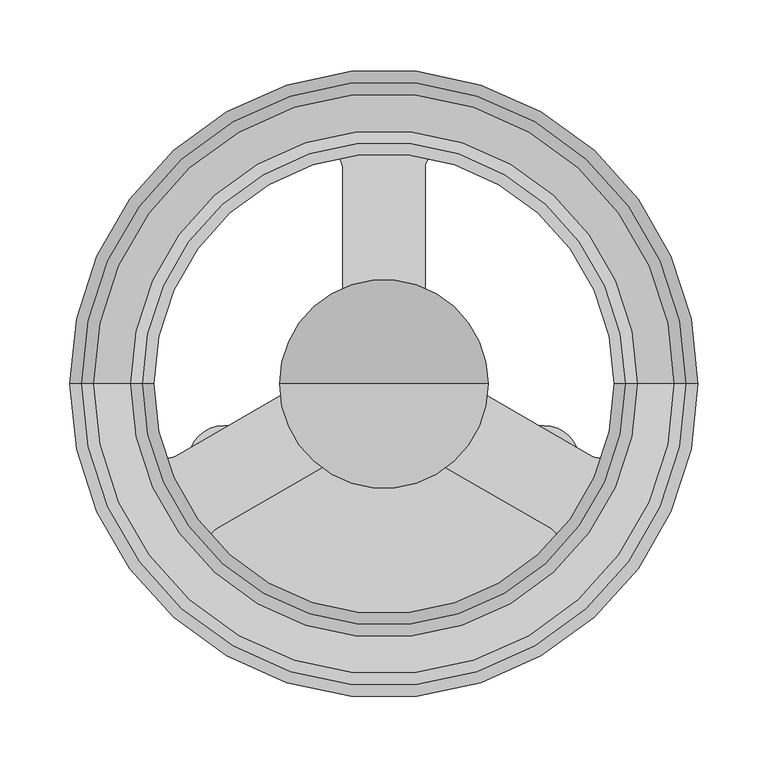
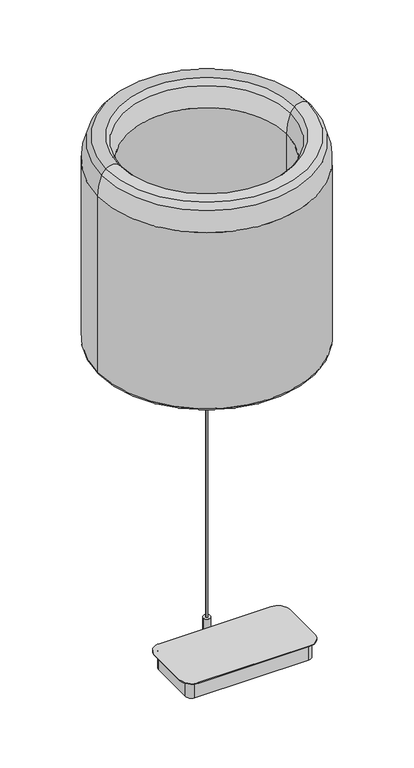
"""IFC4 building model written with IfcOpenShell, lengths in millimetres: light fixture geometry."""

from ifc_helpers import new_model, si_unit, point, frame, frame_2d, origin, origin_with_axes, origin_2d, place, context, project, spatial, polyline, circle_curve, ellipse_curve, trimmed, segment, composite_curve, outline, extrude, source, transform, mapped, element, save
from ifc_brep_helpers import plane_surface, cylinder_surface, revolved_surface, advanced_brep


def light_fixture_d6db27c4(model_context):
    return source(origin(), model_context, "Body", "SolidModel", [
        extrude(outline(composite_curve([segment(trimmed(circle_curve(origin_2d(), 213.1181009), [point((-213.1181009, 0.0))], [point((213.1181009, 0.0))], False, "CARTESIAN"), True, "CONTINUOUS"), segment(trimmed(circle_curve(origin_2d(), 213.1181009), [point((213.1181009, 0.0))], [point((-213.1181009, 0.0))], False, "CARTESIAN"), True, "CONTINUOUS")], self_intersect=False), holes=[composite_curve([segment(trimmed(circle_curve(frame_2d((-59.5522485, 12.8813293)), 10.922), [point((-54.0912483, 3.4226))], [point((-48.8815527, 10.55188))], True, "CARTESIAN"), True, "CONTINUOUS"), segment(trimmed(circle_curve(frame_2d((0.2732604, -0.1787836)), 50.3124517), [point((-48.8815527, 10.55188))], [point((-33.5853535, 37.0359589))], False, "CARTESIAN"), True, "CONTINUOUS"), segment(trimmed(circle_curve(frame_2d((-40.9354978, 45.1146631)), 10.922), [point((-33.5853535, 37.0359589))], [point((-30.0134978, 45.1146631))], True, "CARTESIAN"), True, "CONTINUOUS"), segment(polyline([(-30.0134978, 45.1146631), (-30.0134978, 155.3524359)]), True, "CONTINUOUS"), segment(trimmed(circle_curve(frame_2d((-39.6654978, 155.3524359)), 9.652), [point((-30.0134978, 155.3524359))], [point((-42.0533, 164.7044146))], True, "CARTESIAN"), True, "CONTINUOUS"), segment(trimmed(circle_curve(origin_2d(), 169.9883061), [point((-42.0533, 164.7044146))], [point((-163.6637284, -45.9370027))], True, "CARTESIAN"), True, "CONTINUOUS"), segment(trimmed(circle_curve(frame_2d((-154.3708403, -43.3286824)), 9.652), [point((-163.6637284, -45.9370027))], [point((-149.5448402, -51.6875595))], True, "CARTESIAN"), True, "CONTINUOUS"), segment(polyline([(-149.5448402, -51.6875595), (-54.0912483, 3.4226)]), True, "CONTINUOUS")], self_intersect=False), composite_curve([segment(trimmed(circle_curve(frame_2d((-114.865851, -112.1063807)), 9.652), [point((-119.6918508, -103.7475033))], [point((-121.7959535, -118.8246233))], True, "CARTESIAN"), True, "CONTINUOUS"), segment(trimmed(circle_curve(frame_2d((0.2550595, -0.5048259)), 169.9883061), [point((-121.7959535, -118.8246233))], [point((122.1059732, -119.0306839))], True, "CARTESIAN"), True, "CONTINUOUS"), segment(trimmed(circle_curve(frame_2d((115.1872325, -112.3007411)), 9.652), [point((122.1059732, -119.0306839))], [point((120.0132322, -103.9418637))], True, "CARTESIAN"), True, "CONTINUOUS"), segment(polyline([(120.0132322, -103.9418637), (24.7454139, -48.9389683)]), True, "CONTINUOUS"), segment(trimmed(circle_curve(frame_2d((18.3954144, -59.9374912)), 12.7), [point((24.7454139, -48.9389683))], [point((14.6692018, -47.7964311))], True, "CARTESIAN"), True, "CONTINUOUS"), segment(trimmed(circle_curve(origin_2d(), 49.996843), [point((14.6692018, -47.7964311))], [point((6.1374115, -49.6187111))], False, "CARTESIAN"), True, "CONTINUOUS"), segment(trimmed(circle_curve(frame_2d((5.8756308, -47.5023113)), 2.1325283), [point((6.1374115, -49.6187111))], [point((3.7431025, -47.5023113))], False, "CARTESIAN"), True, "CONTINUOUS"), segment(polyline([(3.7431025, -47.5023113), (3.7431025, -18.424465)]), True, "CONTINUOUS"), segment(trimmed(circle_curve(frame_2d((-0.0076309, -18.424465)), 3.7507334), [point((3.7431025, -18.424465))], [point((-3.7583643, -18.424465))], True, "CARTESIAN"), True, "CONTINUOUS"), segment(polyline([(-3.7583643, -18.424465), (-3.7583643, -47.6140509)]), True, "CONTINUOUS"), segment(trimmed(circle_curve(frame_2d((-5.7903643, -47.6140509)), 2.032), [point((-3.7583643, -47.6140509))], [point((-6.0356694, -49.6311899))], False, "CARTESIAN"), True, "CONTINUOUS"), segment(trimmed(circle_curve(origin_2d(), 49.996843), [point((-6.0356694, -49.6311899))], [point((-14.6771479, -47.7939917))], False, "CARTESIAN"), True, "CONTINUOUS"), segment(trimmed(circle_curve(frame_2d((-18.4053788, -59.9344321)), 12.7), [point((-14.6771479, -47.7939917))], [point((-24.7553785, -48.9359093))], True, "CARTESIAN"), True, "CONTINUOUS"), segment(polyline([(-24.7553785, -48.9359093), (-119.6918508, -103.7475033)]), True, "CONTINUOUS")], self_intersect=False), composite_curve([segment(trimmed(circle_curve(frame_2d((154.368712, -43.3362643)), 9.652), [point((149.542712, -51.6951415))], [point((163.661472, -45.9450411))], True, "CARTESIAN"), True, "CONTINUOUS"), segment(trimmed(circle_curve(origin_2d(), 169.9883061), [point((163.661472, -45.9450411))], [point((42.0459499, 164.7062911))], True, "CARTESIAN"), True, "CONTINUOUS"), segment(trimmed(circle_curve(frame_2d((39.6569131, 155.347735)), 9.6586783), [point((42.0459499, 164.7062911))], [point((29.9982348, 155.347735))], True, "CARTESIAN"), True, "CONTINUOUS"), segment(polyline([(29.9982348, 155.347735), (29.9982348, 45.110403)]), True, "CONTINUOUS"), segment(trimmed(circle_curve(frame_2d((40.8792287, 45.110403)), 10.8809939), [point((29.9982348, 45.110403))], [point((33.5617786, 37.057394))], True, "CARTESIAN"), True, "CONTINUOUS"), segment(trimmed(circle_curve(frame_2d((-0.2732604, -0.1787836)), 50.3124517), [point((33.5617786, 37.057394))], [point((48.8833607, 10.5435947))], False, "CARTESIAN"), True, "CONTINUOUS"), segment(trimmed(circle_curve(frame_2d((59.554449, 12.8712455)), 10.922), [point((48.8833607, 10.5435947))], [point((54.093449, 3.412516))], True, "CARTESIAN"), True, "CONTINUOUS"), segment(polyline([(54.093449, 3.412516), (149.542712, -51.6951415)]), True, "CONTINUOUS")], self_intersect=False)]), frame((0.0, 0.0, 648.1075333), z_axis=(0.0, 0.0, 1.0), x_axis=(1.0, 0.0, 0.0)), (0.0, 0.0, 1.0), 3.0005436),
        extrude(outline(composite_curve([segment(polyline([(36.124612, -11.1549514), (46.9639572, -15.1001504), (47.4501113, -15.7944504), (46.5013711, -18.4010927), (45.682668, -18.6204635), (34.8433228, -14.6752645)]), True, "CONTINUOUS"), segment(trimmed(circle_curve(origin_2d(), 37.8076782), [point((34.8433228, -14.6752645))], [point((30.1308132, -22.8375704))], False, "CARTESIAN"), True, "CONTINUOUS"), segment(polyline([(30.1308132, -22.8375704), (38.9671284, -30.2521193), (39.1864993, -31.0708224), (37.4034509, -33.1957766), (36.5590925, -33.1219048), (27.7227772, -25.707356)]), True, "CONTINUOUS"), segment(trimmed(circle_curve(origin_2d(), 37.8076782), [point((27.7227772, -25.707356))], [point((20.5027937, -31.7656415))], False, "CARTESIAN"), True, "CONTINUOUS"), segment(polyline([(20.5027937, -31.7656415), (26.2702889, -41.7552361), (26.1964171, -42.5995946), (23.7941226, -43.98656), (23.0259508, -43.6283556), (17.2584556, -33.638761)]), True, "CONTINUOUS"), segment(trimmed(circle_curve(origin_2d(), 37.8076782), [point((17.2584556, -33.638761))], [point((8.4018347, -36.8623073))], False, "CARTESIAN"), True, "CONTINUOUS"), segment(polyline([(8.4018347, -36.8623073), (10.4048648, -48.2220552), (10.0466604, -48.990227), (7.3148718, -49.471915), (6.7155396, -48.8725828), (4.7125096, -37.5128349)]), True, "CONTINUOUS"), segment(trimmed(circle_curve(origin_2d(), 37.8076782), [point((4.7125096, -37.5128349))], [point((-4.7125096, -37.5128349))], False, "CARTESIAN"), True, "CONTINUOUS"), segment(polyline([(-4.7125096, -37.5128349), (-6.7155396, -48.8725828), (-7.3148718, -49.471915), (-10.0466604, -48.990227), (-10.4048648, -48.2220552), (-8.4018347, -36.8623073)]), True, "CONTINUOUS"), segment(trimmed(circle_curve(origin_2d(), 37.8076782), [point((-8.4018347, -36.8623073))], [point((-17.2584556, -33.638761))], False, "CARTESIAN"), True, "CONTINUOUS"), segment(polyline([(-17.2584556, -33.638761), (-23.0259508, -43.6283556), (-23.7941226, -43.98656), (-26.1964171, -42.5995946), (-26.2702889, -41.7552361), (-20.5027937, -31.7656415)]), True, "CONTINUOUS"), segment(trimmed(circle_curve(origin_2d(), 37.8076782), [point((-20.5027937, -31.7656415))], [point((-27.7227772, -25.707356))], False, "CARTESIAN"), True, "CONTINUOUS"), segment(polyline([(-27.7227772, -25.707356), (-36.5590925, -33.1219048), (-37.4034509, -33.1957766), (-39.1864993, -31.0708224), (-38.9671284, -30.2521193), (-30.1308132, -22.8375704)]), True, "CONTINUOUS"), segment(trimmed(circle_curve(origin_2d(), 37.8076782), [point((-30.1308132, -22.8375704))], [point((-34.8433228, -14.6752645))], False, "CARTESIAN"), True, "CONTINUOUS"), segment(polyline([(-34.8433228, -14.6752645), (-45.682668, -18.6204635), (-46.5013711, -18.4010927), (-47.4501113, -15.7944504), (-46.9639572, -15.1001504), (-36.124612, -11.1549514)]), True, "CONTINUOUS"), segment(trimmed(circle_curve(origin_2d(), 37.8076782), [point((-36.124612, -11.1549514))], [point((-37.7612494, -1.8731195))], False, "CARTESIAN"), True, "CONTINUOUS"), segment(polyline([(-37.7612494, -1.8731195), (-49.2962397, -1.8731195), (-49.9905397, -1.3869654), (-49.9905397, 1.3869654), (-49.2962397, 1.8731195), (-37.7612494, 1.8731195)]), True, "CONTINUOUS"), segment(trimmed(circle_curve(origin_2d(), 37.8076782), [point((-37.7612494, 1.8731195))], [point((-36.124612, 11.1549514))], False, "CARTESIAN"), True, "CONTINUOUS"), segment(polyline([(-36.124612, 11.1549514), (-46.9639572, 15.1001504), (-47.4501113, 15.7944504), (-46.5013711, 18.4010927), (-45.682668, 18.6204635), (-34.8433228, 14.6752645)]), True, "CONTINUOUS"), segment(trimmed(circle_curve(origin_2d(), 37.8076782), [point((-34.8433228, 14.6752645))], [point((-30.1308132, 22.8375704))], False, "CARTESIAN"), True, "CONTINUOUS"), segment(polyline([(-30.1308132, 22.8375704), (-38.9671284, 30.2521193), (-39.1864993, 31.0708224), (-37.4034509, 33.1957766), (-36.5590925, 33.1219048), (-27.7227772, 25.707356)]), True, "CONTINUOUS"), segment(trimmed(circle_curve(origin_2d(), 37.8076782), [point((-27.7227772, 25.707356))], [point((-20.5027937, 31.7656415))], False, "CARTESIAN"), True, "CONTINUOUS"), segment(polyline([(-20.5027937, 31.7656415), (-26.2702889, 41.7552361), (-26.1964171, 42.5995946), (-23.7941226, 43.98656), (-23.0259508, 43.6283556), (-17.2584556, 33.638761)]), True, "CONTINUOUS"), segment(trimmed(circle_curve(origin_2d(), 37.8076782), [point((-17.2584556, 33.638761))], [point((-8.4018347, 36.8623073))], False, "CARTESIAN"), True, "CONTINUOUS"), segment(polyline([(-8.4018347, 36.8623073), (-10.4048648, 48.2220552), (-10.0466604, 48.990227), (-7.3148718, 49.471915), (-6.7155396, 48.8725828), (-4.7125096, 37.5128349)]), True, "CONTINUOUS"), segment(trimmed(circle_curve(origin_2d(), 37.8076782), [point((-4.7125096, 37.5128349))], [point((4.7125096, 37.5128349))], False, "CARTESIAN"), True, "CONTINUOUS"), segment(polyline([(4.7125096, 37.5128349), (6.7155396, 48.8725828), (7.3148718, 49.471915), (10.0466604, 48.990227), (10.4048648, 48.2220552), (8.4018347, 36.8623073)]), True, "CONTINUOUS"), segment(trimmed(circle_curve(origin_2d(), 37.8076782), [point((8.4018347, 36.8623073))], [point((17.2584556, 33.638761))], False, "CARTESIAN"), True, "CONTINUOUS"), segment(polyline([(17.2584556, 33.638761), (23.0259508, 43.6283556), (23.7941226, 43.98656), (26.1964171, 42.5995946), (26.2702889, 41.7552361), (20.5027937, 31.7656415)]), True, "CONTINUOUS"), segment(trimmed(circle_curve(origin_2d(), 37.8076782), [point((20.5027937, 31.7656415))], [point((27.7227772, 25.707356))], False, "CARTESIAN"), True, "CONTINUOUS"), segment(polyline([(27.7227772, 25.707356), (36.5590925, 33.1219048), (37.4034509, 33.1957766), (39.1864993, 31.0708224), (38.9671284, 30.2521193), (30.1308132, 22.8375704)]), True, "CONTINUOUS"), segment(trimmed(circle_curve(origin_2d(), 37.8076782), [point((30.1308132, 22.8375704))], [point((34.8433228, 14.6752645))], False, "CARTESIAN"), True, "CONTINUOUS"), segment(polyline([(34.8433228, 14.6752645), (45.682668, 18.6204635), (46.5013711, 18.4010927), (47.4501113, 15.7944504), (46.9639572, 15.1001504), (36.124612, 11.1549514)]), True, "CONTINUOUS"), segment(trimmed(circle_curve(origin_2d(), 37.8076782), [point((36.124612, 11.1549514))], [point((37.7612494, 1.8731195))], False, "CARTESIAN"), True, "CONTINUOUS"), segment(polyline([(37.7612494, 1.8731195), (49.2962397, 1.8731195), (49.9905397, 1.3869654), (49.9905397, -1.3869654), (49.2962397, -1.8731195), (37.7612494, -1.8731195)]), True, "CONTINUOUS"), segment(trimmed(circle_curve(origin_2d(), 37.8076782), [point((37.7612494, -1.8731195))], [point((36.124612, -11.1549514))], False, "CARTESIAN"), True, "CONTINUOUS")], self_intersect=False)), frame((0.0, 0.0, 651.1080769), z_axis=(0.0, 0.0, 1.0), x_axis=(1.0, 0.0, 0.0)), (0.0, 0.0, 1.0), 60.5118587),
        advanced_brep(
        [(-18.2476326, 0.0, 711.6199356), (0.0, 0.0, 711.6199356), (18.2476326, 0.0, 711.6199356), (-50.736755, 0.0, 713.4355345), (50.736755, 0.0, 713.4355345), (-51.4676513, 0.0, 714.0407366), (51.4676513, 0.0, 714.0407366), (0.0, 0.0, 843.452441)],
        [
            (0, 1),
            (1, 2),
            (2, 0, circle_curve(frame((0.0, 0.0, 711.6199356), z_axis=(0.0, 0.0, -1.0), x_axis=(1.0, 0.0, 0.0)), 18.2476326)),
            (0, 2, circle_curve(frame((0.0, 0.0, 711.6199356), z_axis=(0.0, 0.0, -1.0), x_axis=(1.0, 0.0, 0.0)), 18.2476326)),
            (3, 0, circle_curve(frame((-19.5899482, 0.0, 979.1950529), z_axis=(0.0, -1.0, 0.0), x_axis=(-1.0, 0.0, 0.0)), 267.5784842)),
            (2, 4, circle_curve(frame((19.5899482, 0.0, 979.1950529), z_axis=(0.0, -1.0, 0.0), x_axis=(1.0, 0.0, 0.0)), 267.5784842)),
            (4, 3, circle_curve(frame((0.0, 0.0, 713.4355345), z_axis=(0.0, 0.0, -1.0), x_axis=(1.0, 0.0, 0.0)), 50.736755)),
            (3, 4, circle_curve(frame((0.0, 0.0, 713.4355345), z_axis=(0.0, 0.0, -1.0), x_axis=(1.0, 0.0, 0.0)), 50.736755)),
            (5, 3, circle_curve(frame((-47.5069212, 0.0, 718.0801202), z_axis=(0.0, -1.0, 0.0), x_axis=(-1.0, 0.0, 0.0)), 5.657208)),
            (4, 6, circle_curve(frame((47.5069212, 0.0, 718.0801202), z_axis=(0.0, -1.0, 0.0), x_axis=(1.0, 0.0, 0.0)), 5.657208)),
            (6, 5, circle_curve(frame((0.0, 0.0, 714.0407366), z_axis=(0.0, 0.0, -1.0), x_axis=(1.0, 0.0, 0.0)), 51.4676513)),
            (5, 6, circle_curve(frame((0.0, 0.0, 714.0407366), z_axis=(0.0, 0.0, -1.0), x_axis=(1.0, 0.0, 0.0)), 51.4676513)),
            (7, 5, circle_curve(frame((0.2606426, 0.0, 768.408465), z_axis=(0.0, -1.0, 0.0), x_axis=(-1.0, 0.0, 0.0)), 75.0444287)),
            (6, 7, circle_curve(frame((-0.2606426, 0.0, 768.408465), z_axis=(0.0, -1.0, 0.0), x_axis=(1.0, 0.0, 0.0)), 75.0444287)),
        ],
        [
            plane_surface(frame((0.0, 0.0, 711.6199356), z_axis=(0.0, 0.0, -1.0), x_axis=(1.0, 0.0, 0.0))),
            revolved_surface(trimmed(ellipse_curve(frame((19.5899482, 0.0, 979.1950529), z_axis=(0.0, -1.0, 0.0), x_axis=(1.0, 0.0, 0.0)), 267.5784842, 267.5784842), [point((18.2476326, 0.0, 711.6199356))], [point((50.736755, 0.0, 713.4355345))], True, "CARTESIAN"), (0.0, 0.0, 965.6199356), (0.0, 0.0, 1.0)),
            revolved_surface(trimmed(ellipse_curve(frame((47.5069212, 0.0, 718.0801202), z_axis=(0.0, -1.0, 0.0), x_axis=(1.0, 0.0, 0.0)), 5.657208, 5.657208), [point((50.736755, 0.0, 713.4355345))], [point((51.4676513, 0.0, 714.0407366))], True, "CARTESIAN"), (0.0, 0.0, 965.6199356), (0.0, 0.0, 1.0)),
            revolved_surface(trimmed(ellipse_curve(frame((-0.2606426, 0.0, 768.408465), z_axis=(0.0, -1.0, 0.0), x_axis=(1.0, 0.0, 0.0)), 75.0444287, 75.0444287), [point((51.4676513, 0.0, 714.0407366))], [point((0.0, 0.0, 843.452441))], True, "CARTESIAN"), (0.0, 0.0, 965.6199356), (0.0, 0.0, 1.0)),
        ],
        [
            (0, [[1, 2, 3]]),
            (0, [[-2, -1, 4]]),
            (1, [[5, -3, 6, 7]]),
            (1, [[-6, -4, -5, 8]]),
            (2, [[9, -7, 10, 11]]),
            (2, [[-10, -8, -9, 12]]),
            (3, [[13, -11, 14]]),
            (3, [[-14, -12, -13]]),
        ],
    ),
        advanced_brep(
        [(-165.0322595, 0.0, 656.3624635), (-165.0322595, 0.0, 1035.6416039), (165.0322595, 0.0, 1035.6416039), (165.0322595, 0.0, 656.3624635), (-170.4569846, 0.0, 650.9377384), (170.4569846, 0.0, 650.9377384), (-213.1181009, 0.0, 650.9377384), (213.1181009, 0.0, 650.9377384), (-213.1181009, 0.0, 649.876369), (213.1181009, 0.0, 649.876369), (-216.8766408, 0.0, 646.1178291), (216.8766408, 0.0, 646.1178291), (-220.3911932, 0.0, 646.1178291), (220.3911932, 0.0, 646.1178291), (-225.2324801, 0.0, 650.9591161), (225.2324801, 0.0, 650.9591161), (-225.2324801, 0.0, 1035.6416039), (225.2324801, 0.0, 1035.6416039), (-216.9484603, 0.0, 1078.2641962), (216.9484603, 0.0, 1078.2641962), (-208.3561767, 0.0, 1090.091007), (208.3561767, 0.0, 1090.091007), (-181.9085628, 0.0, 1090.091007), (181.9085628, 0.0, 1090.091007), (-173.3162792, 0.0, 1078.2641962), (173.3162792, 0.0, 1078.2641962)],
        [
            (0, 1),
            (1, 2, circle_curve(frame((0.0, 0.0, 1035.6416039), z_axis=(0.0, 0.0, 1.0), x_axis=(1.0, 0.0, 0.0)), 165.0322595)),
            (2, 3),
            (3, 0, circle_curve(frame((0.0, 0.0, 656.3624635), z_axis=(0.0, 0.0, -1.0), x_axis=(1.0, 0.0, 0.0)), 165.0322595)),
            (2, 1, circle_curve(frame((0.0, 0.0, 1035.6416039), z_axis=(0.0, 0.0, 1.0), x_axis=(1.0, 0.0, 0.0)), 165.0322595)),
            (0, 3, circle_curve(frame((0.0, 0.0, 656.3624635), z_axis=(0.0, 0.0, -1.0), x_axis=(1.0, 0.0, 0.0)), 165.0322595)),
            (4, 0, circle_curve(frame((-170.4569846, 0.0, 656.3624635), z_axis=(0.0, -1.0, 0.0), x_axis=(-1.0, 0.0, 0.0)), 5.4247251)),
            (3, 5, circle_curve(frame((170.4569846, 0.0, 656.3624635), z_axis=(0.0, -1.0, 0.0), x_axis=(1.0, 0.0, 0.0)), 5.4247251)),
            (5, 4, circle_curve(frame((0.0, 0.0, 650.9377384), z_axis=(0.0, 0.0, -1.0), x_axis=(1.0, 0.0, 0.0)), 170.4569846)),
            (4, 5, circle_curve(frame((0.0, 0.0, 650.9377384), z_axis=(0.0, 0.0, -1.0), x_axis=(1.0, 0.0, 0.0)), 170.4569846)),
            (6, 4),
            (5, 7),
            (7, 6, circle_curve(frame((0.0, 0.0, 650.9377384), z_axis=(0.0, 0.0, -1.0), x_axis=(1.0, 0.0, 0.0)), 213.1181009)),
            (6, 7, circle_curve(frame((0.0, 0.0, 650.9377384), z_axis=(0.0, 0.0, -1.0), x_axis=(1.0, 0.0, 0.0)), 213.1181009)),
            (8, 6),
            (7, 9),
            (9, 8, circle_curve(frame((0.0, 0.0, 649.876369), z_axis=(0.0, 0.0, -1.0), x_axis=(1.0, 0.0, 0.0)), 213.1181009)),
            (8, 9, circle_curve(frame((0.0, 0.0, 649.876369), z_axis=(0.0, 0.0, -1.0), x_axis=(1.0, 0.0, 0.0)), 213.1181009)),
            (10, 8, circle_curve(frame((-216.8766408, 0.0, 649.876369), z_axis=(0.0, -1.0, 0.0), x_axis=(-1.0, 0.0, 0.0)), 3.7585398)),
            (9, 11, circle_curve(frame((216.8766408, 0.0, 649.876369), z_axis=(0.0, -1.0, 0.0), x_axis=(1.0, 0.0, 0.0)), 3.7585398)),
            (11, 10, circle_curve(frame((0.0, 0.0, 646.1178291), z_axis=(0.0, 0.0, -1.0), x_axis=(1.0, 0.0, 0.0)), 216.8766408)),
            (10, 11, circle_curve(frame((0.0, 0.0, 646.1178291), z_axis=(0.0, 0.0, -1.0), x_axis=(1.0, 0.0, 0.0)), 216.8766408)),
            (12, 10),
            (11, 13),
            (13, 12, circle_curve(frame((0.0, 0.0, 646.1178291), z_axis=(0.0, 0.0, -1.0), x_axis=(1.0, 0.0, 0.0)), 220.3911932)),
            (12, 13, circle_curve(frame((0.0, 0.0, 646.1178291), z_axis=(0.0, 0.0, -1.0), x_axis=(1.0, 0.0, 0.0)), 220.3911932)),
            (14, 12, circle_curve(frame((-220.3911932, 0.0, 650.9591161), z_axis=(0.0, -1.0, 0.0), x_axis=(-1.0, 0.0, 0.0)), 4.8412869)),
            (13, 15, circle_curve(frame((220.3911932, 0.0, 650.9591161), z_axis=(0.0, -1.0, 0.0), x_axis=(1.0, 0.0, 0.0)), 4.8412869)),
            (15, 14, circle_curve(frame((0.0, 0.0, 650.9591161), z_axis=(0.0, 0.0, -1.0), x_axis=(1.0, 0.0, 0.0)), 225.2324801)),
            (14, 15, circle_curve(frame((0.0, 0.0, 650.9591161), z_axis=(0.0, 0.0, -1.0), x_axis=(1.0, 0.0, 0.0)), 225.2324801)),
            (16, 14),
            (15, 17),
            (17, 16, circle_curve(frame((0.0, 0.0, 1035.6416039), z_axis=(0.0, 0.0, -1.0), x_axis=(1.0, 0.0, 0.0)), 225.2324801)),
            (16, 17, circle_curve(frame((0.0, 0.0, 1035.6416039), z_axis=(0.0, 0.0, -1.0), x_axis=(1.0, 0.0, 0.0)), 225.2324801)),
            (18, 16, circle_curve(frame((-111.4404801, 0.0, 1035.6416039), z_axis=(0.0, -1.0, 0.0), x_axis=(-1.0, 0.0, 0.0)), 113.792)),
            (17, 19, circle_curve(frame((111.4404801, 0.0, 1035.6416039), z_axis=(0.0, -1.0, 0.0), x_axis=(1.0, 0.0, 0.0)), 113.792)),
            (19, 18, circle_curve(frame((0.0, 0.0, 1078.2641962), z_axis=(0.0, 0.0, -1.0), x_axis=(1.0, 0.0, 0.0)), 216.9484603)),
            (18, 19, circle_curve(frame((0.0, 0.0, 1078.2641962), z_axis=(0.0, 0.0, -1.0), x_axis=(1.0, 0.0, 0.0)), 216.9484603)),
            (20, 18, circle_curve(frame((-188.937167, 0.0, 1066.9483324), z_axis=(0.0, -1.0, 0.0), x_axis=(-1.0, 0.0, 0.0)), 30.2106162)),
            (19, 21, circle_curve(frame((188.937167, 0.0, 1066.9483324), z_axis=(0.0, -1.0, 0.0), x_axis=(1.0, 0.0, 0.0)), 30.2106162)),
            (21, 20, circle_curve(frame((0.0, 0.0, 1090.091007), z_axis=(0.0, 0.0, -1.0), x_axis=(1.0, 0.0, 0.0)), 208.3561767)),
            (20, 21, circle_curve(frame((0.0, 0.0, 1090.091007), z_axis=(0.0, 0.0, -1.0), x_axis=(1.0, 0.0, 0.0)), 208.3561767)),
            (22, 20, circle_curve(frame((-195.1323698, 0.0, 1074.3314876), z_axis=(0.0, -1.0, 0.0), x_axis=(-1.0, 0.0, 0.0)), 20.5725915)),
            (21, 23, circle_curve(frame((195.1323698, 0.0, 1074.3314876), z_axis=(0.0, -1.0, 0.0), x_axis=(1.0, 0.0, 0.0)), 20.5725915)),
            (23, 22, circle_curve(frame((0.0, 0.0, 1090.091007), z_axis=(0.0, 0.0, -1.0), x_axis=(1.0, 0.0, 0.0)), 181.9085628)),
            (22, 23, circle_curve(frame((0.0, 0.0, 1090.091007), z_axis=(0.0, 0.0, -1.0), x_axis=(1.0, 0.0, 0.0)), 181.9085628)),
            (24, 22, circle_curve(frame((-201.3275726, 0.0, 1066.9483324), z_axis=(0.0, -1.0, 0.0), x_axis=(-1.0, 0.0, 0.0)), 30.2106162)),
            (23, 25, circle_curve(frame((201.3275726, 0.0, 1066.9483324), z_axis=(0.0, -1.0, 0.0), x_axis=(1.0, 0.0, 0.0)), 30.2106162)),
            (25, 24, circle_curve(frame((0.0, 0.0, 1078.2641962), z_axis=(0.0, 0.0, -1.0), x_axis=(1.0, 0.0, 0.0)), 173.3162792)),
            (24, 25, circle_curve(frame((0.0, 0.0, 1078.2641962), z_axis=(0.0, 0.0, -1.0), x_axis=(1.0, 0.0, 0.0)), 173.3162792)),
            (1, 24, circle_curve(frame((-278.8242595, 0.0, 1035.6416039), z_axis=(0.0, -1.0, 0.0), x_axis=(-1.0, 0.0, 0.0)), 113.792)),
            (25, 2, circle_curve(frame((278.8242595, 0.0, 1035.6416039), z_axis=(0.0, -1.0, 0.0), x_axis=(1.0, 0.0, 0.0)), 113.792)),
        ],
        [
            revolved_surface(polyline([(165.0322595, 0.0, 1035.6416039), (165.0322595, 0.0, 656.3624635)]), (0.0, 0.0, 562.0377384), (0.0, 0.0, 1.0)),
            revolved_surface(trimmed(ellipse_curve(frame((170.4569846, 0.0, 656.3624635), z_axis=(0.0, -1.0, 0.0), x_axis=(1.0, 0.0, 0.0)), 5.4247251, 5.4247251), [point((165.0322595, 0.0, 656.3624635))], [point((170.4569846, 0.0, 650.9377384))], True, "CARTESIAN"), (0.0, 0.0, 562.0377384), (0.0, 0.0, 1.0)),
            plane_surface(frame((0.0, 0.0, 650.9377384), z_axis=(0.0, 0.0, -1.0), x_axis=(1.0, 0.0, 0.0))),
            revolved_surface(polyline([(213.1181009, 0.0, 650.9377384), (213.1181009, 0.0, 649.876369)]), (0.0, 0.0, 562.0377384), (0.0, 0.0, 1.0)),
            revolved_surface(trimmed(ellipse_curve(frame((216.8766408, 0.0, 649.876369), z_axis=(0.0, -1.0, 0.0), x_axis=(1.0, 0.0, 0.0)), 3.7585398, 3.7585398), [point((213.1181009, 0.0, 649.876369))], [point((216.8766408, 0.0, 646.1178291))], True, "CARTESIAN"), (0.0, 0.0, 562.0377384), (0.0, 0.0, 1.0)),
            plane_surface(frame((0.0, 0.0, 646.1178291), z_axis=(0.0, 0.0, -1.0), x_axis=(1.0, 0.0, 0.0))),
            revolved_surface(trimmed(ellipse_curve(frame((220.3911932, 0.0, 650.9591161), z_axis=(0.0, -1.0, 0.0), x_axis=(1.0, 0.0, 0.0)), 4.8412869, 4.8412869), [point((220.3911932, 0.0, 646.1178291))], [point((225.2324801, 0.0, 650.9591161))], True, "CARTESIAN"), (0.0, 0.0, 562.0377384), (0.0, 0.0, 1.0)),
            cylinder_surface(frame((0.0, 0.0, 562.0377384), z_axis=(0.0, 0.0, 1.0), x_axis=(1.0, 0.0, 0.0)), 225.2324801),
            revolved_surface(trimmed(ellipse_curve(frame((111.4404801, 0.0, 1035.6416039), z_axis=(0.0, -1.0, 0.0), x_axis=(1.0, 0.0, 0.0)), 113.792, 113.792), [point((225.2324801, 0.0, 1035.6416039))], [point((216.9484603, 0.0, 1078.2641962))], True, "CARTESIAN"), (0.0, 0.0, 562.0377384), (0.0, 0.0, 1.0)),
            revolved_surface(trimmed(ellipse_curve(frame((188.937167, 0.0, 1066.9483324), z_axis=(0.0, -1.0, 0.0), x_axis=(1.0, 0.0, 0.0)), 30.2106162, 30.2106162), [point((216.9484603, 0.0, 1078.2641962))], [point((208.3561767, 0.0, 1090.091007))], True, "CARTESIAN"), (0.0, 0.0, 562.0377384), (0.0, 0.0, 1.0)),
            revolved_surface(trimmed(ellipse_curve(frame((195.1323698, 0.0, 1074.3314876), z_axis=(0.0, -1.0, 0.0), x_axis=(1.0, 0.0, 0.0)), 20.5725915, 20.5725915), [point((208.3561767, 0.0, 1090.091007))], [point((181.9085628, 0.0, 1090.091007))], True, "CARTESIAN"), (0.0, 0.0, 562.0377384), (0.0, 0.0, 1.0)),
            revolved_surface(trimmed(ellipse_curve(frame((201.3275726, 0.0, 1066.9483324), z_axis=(0.0, -1.0, 0.0), x_axis=(1.0, 0.0, 0.0)), 30.2106162, 30.2106162), [point((181.9085628, 0.0, 1090.091007))], [point((173.3162792, 0.0, 1078.2641962))], True, "CARTESIAN"), (0.0, 0.0, 562.0377384), (0.0, 0.0, 1.0)),
            revolved_surface(trimmed(ellipse_curve(frame((278.8242595, 0.0, 1035.6416039), z_axis=(0.0, -1.0, 0.0), x_axis=(1.0, 0.0, 0.0)), 113.792, 113.792), [point((173.3162792, 0.0, 1078.2641962))], [point((165.0322595, 0.0, 1035.6416039))], True, "CARTESIAN"), (0.0, 0.0, 562.0377384), (0.0, 0.0, 1.0)),
        ],
        [
            (0, [[1, 2, 3, 4]]),
            (0, [[-3, 5, -1, 6]]),
            (1, [[7, -4, 8, 9]]),
            (1, [[-8, -6, -7, 10]]),
            (2, [[11, -9, 12, 13]]),
            (2, [[-12, -10, -11, 14]]),
            (3, [[15, -13, 16, 17]]),
            (3, [[-16, -14, -15, 18]]),
            (4, [[19, -17, 20, 21]]),
            (4, [[-20, -18, -19, 22]]),
            (5, [[23, -21, 24, 25]]),
            (5, [[-24, -22, -23, 26]]),
            (6, [[27, -25, 28, 29]]),
            (6, [[-28, -26, -27, 30]]),
            (7, [[31, -29, 32, 33]]),
            (7, [[-32, -30, -31, 34]]),
            (8, [[35, -33, 36, 37]]),
            (8, [[-36, -34, -35, 38]]),
            (9, [[39, -37, 40, 41]]),
            (9, [[-40, -38, -39, 42]]),
            (10, [[43, -41, 44, 45]]),
            (10, [[-44, -42, -43, 46]]),
            (11, [[47, -45, 48, 49]]),
            (11, [[-48, -46, -47, 50]]),
            (12, [[51, -49, 52, -2]]),
            (12, [[-52, -50, -51, -5]]),
        ],
    ),
        extrude(outline(composite_curve([segment(polyline([(114.785421, -170.1912929), (-114.785421, -170.1912929)]), True, "CONTINUOUS"), segment(trimmed(circle_curve(frame_2d((-114.785421, -144.7912929)), 25.4), [point((-114.785421, -170.1912929))], [point((-140.185421, -144.7912929))], False, "CARTESIAN"), True, "CONTINUOUS"), segment(polyline([(-140.185421, -144.7912929), (-140.185421, -55.2478232)]), True, "CONTINUOUS"), segment(trimmed(circle_curve(frame_2d((-114.785421, -55.2478232)), 25.4), [point((-140.185421, -55.2478232))], [point((-114.785421, -29.8478232))], False, "CARTESIAN"), True, "CONTINUOUS"), segment(polyline([(-114.785421, -29.8478232), (114.785421, -29.8478232)]), True, "CONTINUOUS"), segment(trimmed(circle_curve(frame_2d((114.785421, -55.2478232)), 25.4), [point((114.785421, -29.8478232))], [point((140.185421, -55.2478232))], False, "CARTESIAN"), True, "CONTINUOUS"), segment(polyline([(140.185421, -55.2478232), (140.185421, -144.7912929)]), True, "CONTINUOUS"), segment(trimmed(circle_curve(frame_2d((114.785421, -144.7912929)), 25.4), [point((140.185421, -144.7912929))], [point((114.785421, -170.1912929))], False, "CARTESIAN"), True, "CONTINUOUS")], self_intersect=False)), frame((0.0, 0.0, 37.0073341), z_axis=(0.0, 0.0, 1.0), x_axis=(1.0, 0.0, 0.0)), (0.0, 0.0, 1.0), 1.5001991),
        extrude(outline(composite_curve([segment(polyline([(117.325421, -160.0312929), (-117.325421, -160.0312929)]), True, "CONTINUOUS"), segment(trimmed(circle_curve(frame_2d((-117.325421, -147.3312929)), 12.7), [point((-117.325421, -160.0312929))], [point((-130.025421, -147.3312929))], False, "CARTESIAN"), True, "CONTINUOUS"), segment(polyline([(-130.025421, -147.3312929), (-130.025421, -52.7078232)]), True, "CONTINUOUS"), segment(trimmed(circle_curve(frame_2d((-117.325421, -52.7078232)), 12.7), [point((-130.025421, -52.7078232))], [point((-117.325421, -40.0078232))], False, "CARTESIAN"), True, "CONTINUOUS"), segment(polyline([(-117.325421, -40.0078232), (117.325421, -40.0078232)]), True, "CONTINUOUS"), segment(trimmed(circle_curve(frame_2d((117.325421, -52.7078232)), 12.7), [point((117.325421, -40.0078232))], [point((130.025421, -52.7078232))], False, "CARTESIAN"), True, "CONTINUOUS"), segment(polyline([(130.025421, -52.7078232), (130.025421, -147.3312929)]), True, "CONTINUOUS"), segment(trimmed(circle_curve(frame_2d((117.325421, -147.3312929)), 12.7), [point((130.025421, -147.3312929))], [point((117.325421, -160.0312929))], False, "CARTESIAN"), True, "CONTINUOUS")], self_intersect=False)), origin_with_axes(), (0.0, 0.0, 1.0), 37.0073341),
        extrude(outline(composite_curve([segment(trimmed(circle_curve(origin_2d(), 2.0133063), [point((-2.0133063, 0.0))], [point((2.0133063, 0.0))], False, "CARTESIAN"), True, "CONTINUOUS"), segment(trimmed(circle_curve(origin_2d(), 2.0133063), [point((2.0133063, 0.0))], [point((-2.0133063, 0.0))], False, "CARTESIAN"), True, "CONTINUOUS")], self_intersect=False)), frame((0.0, 0.0, 38.5075333), z_axis=(0.0, 0.0, 1.0), x_axis=(1.0, 0.0, 0.0)), (0.0, 0.0, 1.0), 609.6),
        extrude(outline(composite_curve([segment(trimmed(circle_curve(origin_2d(), 7.4085182), [point((-7.4085182, 0.0))], [point((7.4085182, 0.0))], False, "CARTESIAN"), True, "CONTINUOUS"), segment(trimmed(circle_curve(origin_2d(), 7.4085182), [point((7.4085182, 0.0))], [point((-7.4085182, 0.0))], False, "CARTESIAN"), True, "CONTINUOUS")], self_intersect=False)), origin_with_axes(), (0.0, 0.0, 1.0), 38.5075333),
    ])


if __name__ == "__main__":
    model = new_model("IFC4")
    model_context = context("Model", 3, world=origin())
    ifc_project = project(units=[si_unit("LENGTHUNIT", "METRE", prefix="MILLI")], contexts=[model_context])
    site = spatial("IfcSite", under=ifc_project)
    building = spatial("IfcBuilding", under=site)
    placement = place(None, origin())
    light_fixture_shape = light_fixture_d6db27c4(model_context)
    element("IfcLightFixture", 1, at=placement, inside=building, context=model_context, shape_type="MappedRepresentation", body=[
        mapped(light_fixture_shape, transform((0.0, 0.0, 0.0), x_axis=(1.0, 0.0, 0.0), y_axis=(0.0, 1.0, 0.0), z_axis=(0.0, 0.0, 1.0))),
    ])
    save(model, "model.ifc")
